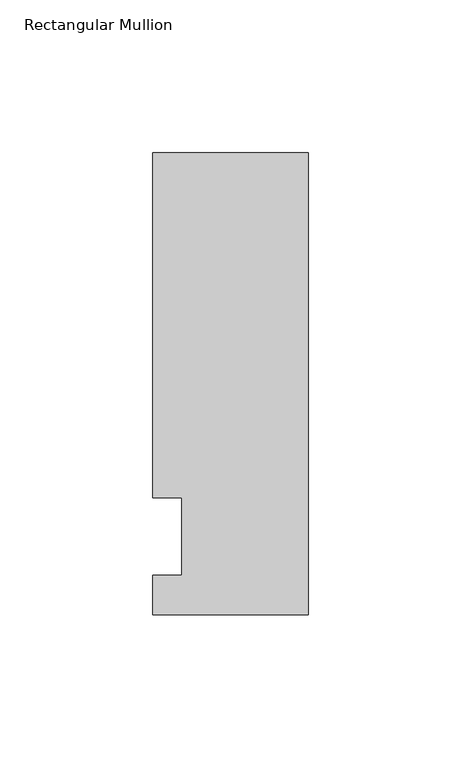
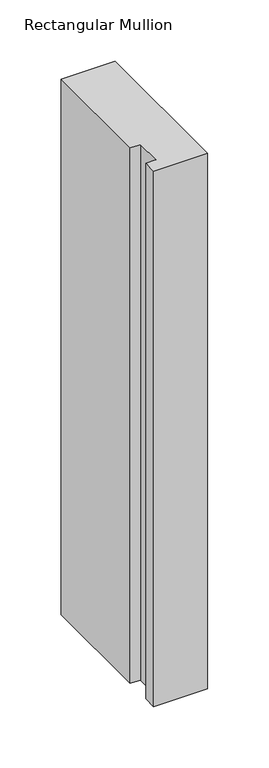
"""IFC4 building model written with IfcOpenShell, lengths in millimetres: member geometry, Rectangular Mullion."""

from ifc_helpers import new_model, si_unit, frame, origin, place, context, project, spatial, polyline, outline, extrude, source, transform, mapped, element, save


def rectangular_mullion_f4fd152a(model_context):
    return source(origin(), model_context, "Body", "SweptSolid", [
        extrude(outline(polyline([(-50.8, -25.5984375), (-50.8, -12.7), (-41.275, -12.7), (-41.275, 12.7), (-50.8, 12.7), (-50.8, 125.6109375), (0.0, 125.6109375), (0.0, -25.5984375), (-50.8, -25.5984375)])), frame((0.0, 0.0, -533.4), z_axis=(0.0, 0.0, 1.0), x_axis=(1.0, 0.0, 0.0)), (0.0, 0.0, 1.0), 533.4),
    ])


if __name__ == "__main__":
    model = new_model("IFC4")
    model_context = context("Model", 3, world=origin())
    ifc_project = project(units=[si_unit("LENGTHUNIT", "METRE", prefix="MILLI")], contexts=[model_context])
    site = spatial("IfcSite", under=ifc_project)
    building = spatial("IfcBuilding", under=site)
    placement = place(None, origin())
    rectangular_mullion_shape = rectangular_mullion_f4fd152a(model_context)
    element("IfcMember", 1, ObjectType="Rectangular Mullion", at=placement, inside=building, context=model_context, shape_type="MappedRepresentation", body=[
        mapped(rectangular_mullion_shape, transform((0.0, 0.0, 0.0), x_axis=(1.0, 0.0, 0.0), y_axis=(0.0, 1.0, 0.0), z_axis=(0.0, 0.0, 1.0))),
    ])
    save(model, "model.ifc")
